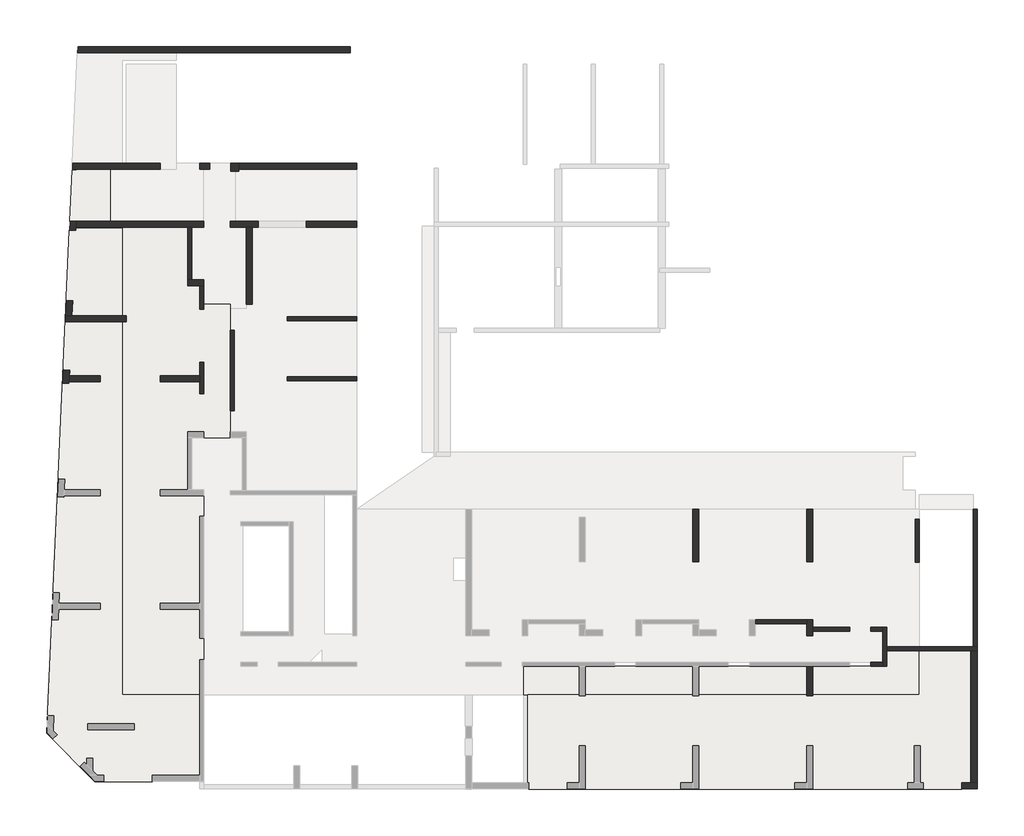
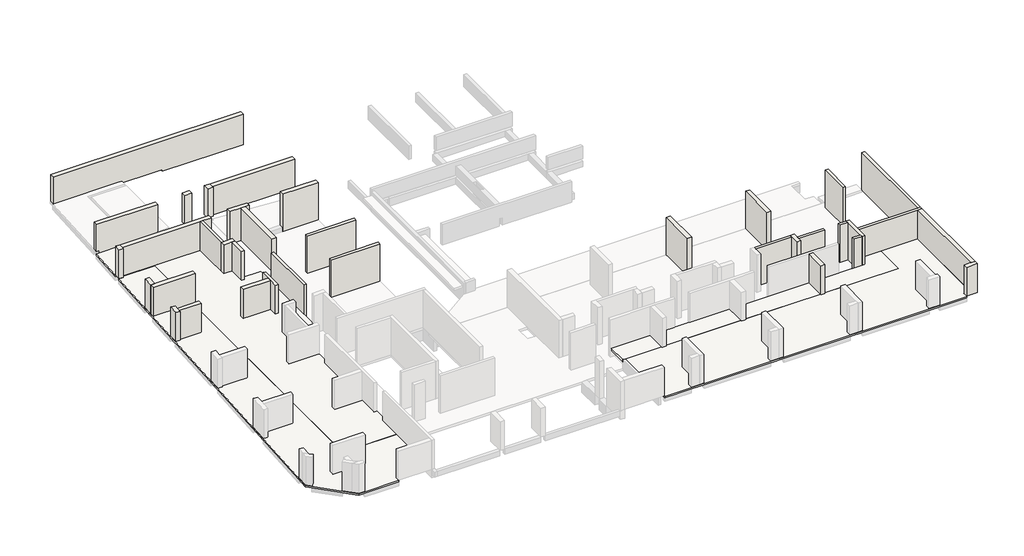
# One storey, part 2 of 4: 36 walls, 2 slabs.
"""IFC4 building model written with IfcOpenShell, lengths in millimetres."""

from ifc_helpers import new_model, si_unit, frame, origin, place, context, project, spatial, polyline, outline, extrude, faceted_brep, element, save

model = new_model("IFC4")

# Units and contexts
model_context = context("Model", 3, world=origin())
ifc_project = project(units=[si_unit("LENGTHUNIT", "METRE", prefix="MILLI")], contexts=[model_context])

# Site, building, storey
site = spatial("IfcSite", under=ifc_project)
building = spatial("IfcBuilding", under=site)
storey = spatial("IfcBuildingStorey", under=building, Elevation=-20.0)

# Slabs
placement = place(None, origin())
element("IfcSlab", 1, at=placement, inside=storey, context=model_context, shape_type="Brep", body=[
    faceted_brep([(-37535.6912908, 5760.9327501, -180.0), (-36935.6912908, 5760.9327501, -180.0), (-36935.6912908, 4590.9327501, -180.0), (-36735.6912908, 4590.9327501, -180.0), (-36735.6912908, 4820.9327501, -180.0), (-35405.6912908, 4820.9327501, -180.0), (-35405.6912908, -1844.0672499, -180.0), (-37335.6912908, -1844.0672499, -180.0), (-37335.6912908, -4439.0672499, -180.0), (-36735.6912908, -4439.0672499, -180.0), (-36735.6912908, -14699.0672499, -180.0), (-40805.6912908, -14699.0672499, -180.0), (-40805.6912908, 8680.9327501, -180.0), (-37535.6912908, 8680.9327501, -180.0), (-37535.6912908, 5760.9327501, -20.0), (-37535.6912908, 8680.9327501, -20.0), (-40805.6912908, 8680.9327501, -20.0), (-40805.6912908, -14699.0672499, -20.0), (-36735.6912908, -14699.0672499, -20.0), (-36735.6912908, -4439.0672499, -20.0), (-37335.6912908, -4439.0672499, -20.0), (-37335.6912908, -1844.0672499, -20.0), (-35405.6912908, -1844.0672499, -20.0), (-35405.6912908, 4820.9327501, -20.0), (-36735.6912908, 4820.9327501, -20.0), (-36735.6912908, 4590.9327501, -20.0), (-36935.6912908, 4590.9327501, -20.0), (-36935.6912908, 5760.9327501, -20.0)], [[[0, 1, 2, 3, 4, 5, 6, 7, 8, 9, 10, 11, 12, 13]], [[14, 15, 16, 17, 18, 19, 20, 21, 22, 23, 24, 25, 26, 27]], [[1, 0, 14, 27]], [[2, 1, 27, 26]], [[5, 4, 24, 23]], [[6, 5, 23, 22]], [[7, 6, 22, 21]], [[8, 7, 21, 20]], [[9, 8, 20, 19]], [[10, 9, 19, 18]], [[11, 10, 18, 17]], [[12, 11, 17, 16]], [[13, 12, 16, 15]], [[0, 13, 15, 14]], [[3, 2, 26, 25]], [[4, 3, 25, 24]]]),
    faceted_brep([(-17935.6912908, -13279.0672499, -180.0), (-17935.6912908, -14499.0672499, -180.0), (-17935.6912908, -14699.0672499, -180.0), (-20715.6912908, -14699.0672499, -180.0), (-20715.6912908, -13279.0672499, -180.0), (-17960.6912908, -13279.0672499, -180.0), (-17935.6912908, -13279.0672499, -20.0), (-20715.6912908, -13279.0672499, -20.0), (-20715.6912908, -14699.0672499, -20.0), (-20515.6912908, -14699.0672499, -20.0), (-17935.6912908, -14699.0672499, -20.0), (-17935.6912908, -14699.0672499, -140.0)], [[[0, 1, 2, 3, 4, 5]], [[6, 7, 8, 9, 10]], [[2, 1, 0, 6, 10, 11]], [[3, 2, 11, 10, 9, 8]], [[4, 3, 8, 7]], [[0, 5, 4, 7, 6]]]),
    faceted_brep([(-12245.6912908, -13279.0672499, -180.0), (-12245.6912908, -14499.0672499, -180.0), (-12245.6912908, -14699.0672499, -180.0), (-17635.6912908, -14699.0672499, -180.0), (-17635.6912908, -14499.0672499, -180.0), (-17635.6912908, -13279.0672499, -180.0), (-17610.6912908, -13279.0672499, -180.0), (-12270.6912908, -13279.0672499, -180.0), (-12245.6912908, -13279.0672499, -20.0), (-17635.6912908, -13279.0672499, -20.0), (-17635.6912908, -14699.0672499, -20.0), (-12245.6912908, -14699.0672499, -20.0), (-12245.6912908, -14699.0672499, -140.0), (-17635.6912908, -14699.0672499, -140.0)], [[[0, 1, 2, 3, 4, 5, 6, 7]], [[8, 9, 10, 11]], [[2, 1, 0, 8, 11, 12]], [[3, 2, 12, 11, 10, 13]], [[5, 4, 3, 13, 10, 9]], [[0, 7, 6, 5, 9, 8]]]),
    faceted_brep([(-6555.6912908, -13279.0672499, -180.0), (-6555.6912908, -14499.0672499, -180.0), (-6555.6912908, -14699.0672499, -180.0), (-11945.6912908, -14699.0672499, -180.0), (-11945.6912908, -14499.0672499, -180.0), (-11945.6912908, -13279.0672499, -180.0), (-11920.6912908, -13279.0672499, -180.0), (-6580.6912908, -13279.0672499, -180.0), (-6555.6912908, -13279.0672499, -20.0), (-11945.6912908, -13279.0672499, -20.0), (-11945.6912908, -14699.0672499, -20.0), (-6555.6912908, -14699.0672499, -20.0), (-6555.6912908, -14699.0672499, -140.0), (-11945.6912908, -14699.0672499, -140.0)], [[[0, 1, 2, 3, 4, 5, 6, 7]], [[8, 9, 10, 11]], [[2, 1, 0, 8, 11, 12]], [[3, 2, 12, 11, 10, 13]], [[5, 4, 3, 13, 10, 9]], [[0, 7, 6, 5, 9, 8]]]),
    faceted_brep([(-6255.6912908, -14699.0672499, -180.0), (-6255.6912908, -14499.0672499, -180.0), (-6255.6912908, -13279.0672499, -180.0), (-6230.6912908, -13279.0672499, -180.0), (-2535.6912908, -13279.0672499, -180.0), (-2535.6912908, -12519.0672499, -180.0), (-925.6912908, -12519.0672499, -180.0), (-925.6912908, -14699.0672499, -180.0), (-6255.6912908, -14699.0672499, -20.0), (-925.6912908, -14699.0672499, -20.0), (-925.6912908, -12519.0672499, -20.0), (-2535.6912908, -12519.0672499, -20.0), (-2535.6912908, -13279.0672499, -20.0), (-6255.6912908, -13279.0672499, -20.0), (-6255.6912908, -14699.0672499, -140.0), (-925.6912908, -14699.0672499, -140.0)], [[[0, 1, 2, 3, 4, 5, 6, 7]], [[8, 9, 10, 11, 12, 13]], [[2, 1, 0, 14, 8, 13]], [[4, 3, 2, 13, 12]], [[5, 4, 12, 11]], [[6, 5, 11, 10]], [[7, 6, 10, 9, 15]], [[0, 7, 15, 9, 8, 14]]]),
])
element("IfcSlab", 2, at=placement, inside=storey, context=model_context, shape_type="Brep", body=[
    faceted_brep([(-20515.6912908, -19094.0672499, -140.0), (-20515.6912908, -14699.0672499, -140.0), (-17960.6912908, -14699.0672499, -140.0), (-17935.6912908, -14699.0672499, -140.0), (-17935.6912908, -14749.0672499, -140.0), (-17635.6912908, -14749.0672499, -140.0), (-17635.6912908, -14699.0672499, -140.0), (-17610.6912908, -14699.0672499, -140.0), (-12270.6912908, -14699.0672499, -140.0), (-12245.6912908, -14699.0672499, -140.0), (-12245.6912908, -14749.0672499, -140.0), (-11945.6912908, -14749.0672499, -140.0), (-11945.6912908, -14699.0672499, -140.0), (-11920.6912908, -14699.0672499, -140.0), (-6580.6912908, -14699.0672499, -140.0), (-6555.6912908, -14699.0672499, -140.0), (-6555.6912908, -14749.0672499, -140.0), (-6255.6912908, -14749.0672499, -140.0), (-6255.6912908, -14699.0672499, -140.0), (-6230.6912908, -14699.0672499, -140.0), (-1200.6912908, -14699.0672499, -140.0), (-925.6912908, -14699.0672499, -140.0), (-925.6912908, -13099.0672499, -140.0), (-925.6912908, -12519.0672499, -140.0), (1644.3087092, -12519.0672499, -140.0), (1644.3087092, -14499.0672499, -140.0), (1644.3087092, -14699.0672499, -140.0), (1644.3087092, -19094.0672499, -140.0), (1214.3087092, -19094.0672499, -140.0), (1214.3087092, -19244.0672499, -140.0), (1214.3087092, -19444.0672499, -140.0), (-725.6912908, -19444.0672499, -140.0), (-1485.6912908, -19444.0672499, -140.0), (-6230.6912908, -19444.0672499, -140.0), (-7155.6912908, -19444.0672499, -140.0), (-11920.6912908, -19444.0672499, -140.0), (-12845.6912908, -19444.0672499, -140.0), (-17610.6912908, -19444.0672499, -140.0), (-18535.6912908, -19444.0672499, -140.0), (-20455.6912908, -19444.0672499, -140.0), (-20455.6912908, -19244.0672499, -140.0), (-20455.6912908, -19094.0672499, -140.0), (-20515.6912908, -19094.0672499, -20.0), (-20455.6912908, -19094.0672499, -20.0), (-20455.6912908, -19444.0672499, -20.0), (1214.3087092, -19444.0672499, -20.0), (1214.3087092, -19094.0672499, -20.0), (1644.3087092, -19094.0672499, -20.0), (1644.3087092, -12519.0672499, -20.0), (-925.6912908, -12519.0672499, -20.0), (-925.6912908, -14699.0672499, -20.0), (-6255.6912908, -14699.0672499, -20.0), (-6255.6912908, -14749.0672499, -20.0), (-6555.6912908, -14749.0672499, -20.0), (-6555.6912908, -14699.0672499, -20.0), (-11945.6912908, -14699.0672499, -20.0), (-11945.6912908, -14749.0672499, -20.0), (-12245.6912908, -14749.0672499, -20.0), (-12245.6912908, -14699.0672499, -20.0), (-17635.6912908, -14699.0672499, -20.0), (-17635.6912908, -14749.0672499, -20.0), (-17935.6912908, -14749.0672499, -20.0), (-17935.6912908, -14699.0672499, -20.0), (-20515.6912908, -14699.0672499, -20.0)], [[[0, 1, 2, 3, 4, 5, 6, 7, 8, 9, 10, 11, 12, 13, 14, 15, 16, 17, 18, 19, 20, 21, 22, 23, 24, 25, 26, 27, 28, 29, 30, 31, 32, 33, 34, 35, 36, 37, 38, 39, 40, 41]], [[42, 43, 44, 45, 46, 47, 48, 49, 50, 51, 52, 53, 54, 55, 56, 57, 58, 59, 60, 61, 62, 63]], [[1, 0, 42, 63]], [[3, 2, 1, 63, 62]], [[23, 22, 21, 50, 49]], [[24, 23, 49, 48]], [[27, 26, 25, 24, 48, 47]], [[28, 27, 47, 46]], [[30, 29, 28, 46, 45]], [[39, 38, 37, 36, 35, 34, 33, 32, 31, 30, 45, 44]], [[4, 3, 62, 61]], [[5, 4, 61, 60]], [[6, 5, 60, 59]], [[9, 8, 7, 6, 59, 58]], [[10, 9, 58, 57]], [[11, 10, 57, 56]], [[12, 11, 56, 55]], [[15, 14, 13, 12, 55, 54]], [[16, 15, 54, 53]], [[17, 16, 53, 52]], [[18, 17, 52, 51]], [[21, 20, 19, 18, 51, 50]], [[41, 40, 39, 44, 43]], [[0, 41, 43, 42]]]),
    faceted_brep([(-40805.6912908, 8630.9327501, -140.0), (-40805.6912908, 1275.9327501, -140.0), (-40805.6912908, 925.9327501, -140.0), (-40805.6912908, -4414.0672499, -140.0), (-40805.6912908, -4764.0672499, -140.0), (-40805.6912908, -10104.0672499, -140.0), (-40805.6912908, -10454.0672499, -140.0), (-40805.6912908, -14699.0672499, -140.0), (-36935.6912908, -14699.0672499, -140.0), (-36935.6912908, -18724.0672499, -140.0), (-39315.6912908, -18724.0672499, -140.0), (-39315.6912908, -18874.0672499, -140.0), (-39315.6912908, -19074.0672499, -140.0), (-41735.6912908, -19074.0672499, -140.0), (-42186.0939242, -19074.0672499, -140.0), (-42932.9248767, -18318.0727539, -140.0), (-44296.3150093, -16937.9539561, -140.0), (-44596.846186, -16633.7352909, -140.0), (-44556.1609952, -15736.892581, -140.0), (-44339.0863176, -10951.8138372, -140.0), (-44277.4534238, -9593.2111041, -140.0), (-44060.3787462, -4808.1323603, -140.0), (-44019.3656808, -3904.0621592, -140.0), (-43802.2910033, 881.0165846, -140.0), (-43771.9277394, 1550.3282252, -140.0), (-43663.0245256, 3950.9327501, -140.0), (-43614.9497408, 5010.6677392, -140.0), (-43454.5229436, 8547.0307357, -140.0), (-43254.728424, 8537.9670748, -140.0), (-43104.8825344, 8531.1693292, -140.0), (-43100.3567755, 8630.9327501, -140.0), (-40805.6912908, 8630.9327501, -20.0), (-43100.3567755, 8630.9327501, -20.0), (-43104.8825344, 8531.1693292, -20.0), (-43454.5229436, 8547.0307357, -20.0), (-44596.846186, -16633.7352909, -20.0), (-42186.0939242, -19074.0672499, -20.0), (-39315.6912908, -19074.0672499, -20.0), (-39315.6912908, -18724.0672499, -20.0), (-36935.6912908, -18724.0672499, -20.0), (-36935.6912908, -14699.0672499, -20.0), (-40805.6912908, -14699.0672499, -20.0)], [[[0, 1, 2, 3, 4, 5, 6, 7, 8, 9, 10, 11, 12, 13, 14, 15, 16, 17, 18, 19, 20, 21, 22, 23, 24, 25, 26, 27, 28, 29, 30]], [[31, 32, 33, 34, 35, 36, 37, 38, 39, 40, 41]], [[7, 6, 5, 4, 3, 2, 1, 0, 31, 41]], [[8, 7, 41, 40]], [[9, 8, 40, 39]], [[10, 9, 39, 38]], [[12, 11, 10, 38, 37]], [[14, 13, 12, 37, 36]], [[17, 16, 15, 14, 36, 35]], [[27, 26, 25, 24, 23, 22, 21, 20, 19, 18, 17, 35, 34]], [[29, 28, 27, 34, 33]], [[30, 29, 33, 32]], [[0, 30, 32, 31]]]),
    faceted_brep([(-43317.1170694, 11575.9327501, -140.0), (-43116.9113776, 11575.9327501, -140.0), (-41605.6912908, 11575.9327501, -140.0), (-41405.6912908, 11575.9327501, -140.0), (-41405.6912908, 8980.9327501, -140.0), (-41605.6912908, 8980.9327501, -140.0), (-43234.633325, 8980.9327501, -140.0), (-43434.8390168, 8980.9327501, -140.0), (-43317.1170694, 11575.9327501, -20.0), (-43434.8390168, 8980.9327501, -20.0), (-41405.6912908, 8980.9327501, -20.0), (-41405.6912908, 11575.9327501, -20.0)], [[[0, 1, 2, 3, 4, 5, 6, 7]], [[8, 9, 10, 11]], [[3, 2, 1, 0, 8, 11]], [[4, 3, 11, 10]], [[7, 6, 5, 4, 10, 9]], [[0, 7, 9, 8]]]),
])

# Walls
element("IfcWall", 3, ObjectType="MHA20", at=placement, inside=storey, context=model_context, shape_type="Brep", body=[
    faceted_brep([(-2535.6912908, -13279.0672499, -670.0), (-2535.6912908, -11329.0672499, -670.0), (-2535.6912908, -11329.0672499, 2170.0), (-2535.6912908, -12319.0672499, 2170.0), (-2535.6912908, -12519.0672499, 2170.0), (-2535.6912908, -13279.0672499, 2170.0), (-2735.6912908, -13279.0672499, -670.0), (-2735.6912908, -13279.0672499, 2170.0), (-2735.6912908, -13079.0672499, 2170.0), (-2735.6912908, -11529.0672499, 2170.0), (-2735.6912908, -11329.0672499, 2170.0), (-2735.6912908, -11329.0672499, -670.0), (-2735.6912908, -11529.0672499, -670.0), (-2735.6912908, -13079.0672499, -670.0)], [[[0, 1, 2, 3, 4, 5]], [[6, 7, 8, 9, 10, 11, 12, 13]], [[1, 0, 6, 13, 12, 11]], [[5, 4, 3, 2, 10, 9, 8, 7]], [[2, 1, 11, 10]], [[0, 5, 7, 6]]]),
])
element("IfcWall", 4, ObjectType="MHA20", at=placement, inside=storey, context=model_context, shape_type="Brep", body=[
    faceted_brep([(-2535.6912908, -12519.0672499, -20.0), (1694.3087092, -12519.0672499, -20.0), (1794.3087092, -12519.0672499, -20.0), (1994.3087092, -12519.0672499, -20.0), (1994.3087092, -12519.0672499, 2170.0), (1694.3087092, -12519.0672499, 2170.0), (-2535.6912908, -12519.0672499, 2170.0), (-2535.6912908, -12319.0672499, -20.0), (-2535.6912908, -12319.0672499, 2170.0), (1794.3087092, -12319.0672499, 2170.0), (1994.3087092, -12319.0672499, 2170.0), (1994.3087092, -12319.0672499, -20.0), (1794.3087092, -12319.0672499, -20.0)], [[[0, 1, 2, 3, 4, 5, 6]], [[7, 8, 9, 10, 11, 12]], [[3, 2, 1, 0, 7, 12, 11]], [[6, 5, 4, 10, 9, 8]], [[0, 6, 8, 7]], [[4, 3, 11, 10]]]),
])
element("IfcWall", 5, ObjectType="MHA20", at=placement, inside=storey, context=model_context, shape_type="SweptSolid", body=[
    extrude(outline(polyline([(-2735.6912908, -11529.0672499), (-3335.6912908, -11529.0672499), (-3335.6912908, -11329.0672499), (-2735.6912908, -11329.0672499), (-2735.6912908, -11529.0672499)])), frame((0.0, 0.0, -670.0), z_axis=(0.0, 0.0, 1.0), x_axis=(1.0, 0.0, 0.0)), (0.0, 0.0, 1.0), 2840.0),
])
element("IfcWall", 6, ObjectType="MHA20", at=placement, inside=storey, context=model_context, shape_type="SweptSolid", body=[
    extrude(outline(polyline([(-2735.6912908, -13279.0672499), (-3335.6912908, -13279.0672499), (-3335.6912908, -13079.0672499), (-2735.6912908, -13079.0672499), (-2735.6912908, -13279.0672499)])), frame((0.0, 0.0, -670.0), z_axis=(0.0, 0.0, 1.0), x_axis=(1.0, 0.0, 0.0)), (0.0, 0.0, 1.0), 2840.0),
])
element("IfcWall", 7, ObjectType="MHA20", at=placement, inside=storey, context=model_context, shape_type="SweptSolid", body=[
    extrude(outline(polyline([(-6255.6912908, -11329.0672499), (-4395.6912908, -11329.0672499), (-4395.6912908, -11529.0672499), (-6255.6912908, -11529.0672499), (-6255.6912908, -11329.0672499)])), frame((0.0, 0.0, -670.0), z_axis=(0.0, 0.0, 1.0), x_axis=(1.0, 0.0, 0.0)), (0.0, 0.0, 1.0), 2840.0),
])
element("IfcWall", 8, ObjectType="MHA20", at=placement, inside=storey, context=model_context, shape_type="SweptSolid", body=[
    extrude(outline(polyline([(-1125.6912908, -8069.0672499), (-1125.6912908, -5919.0672499), (-925.6912908, -5919.0672499), (-925.6912908, -8069.0672499), (-1125.6912908, -8069.0672499)])), frame((0.0, 0.0, -670.0), z_axis=(0.0, 0.0, 1.0), x_axis=(1.0, 0.0, 0.0)), (0.0, 0.0, 1.0), 2840.0),
])
element("IfcWall", 9, ObjectType="MHA20", at=placement, inside=storey, context=model_context, shape_type="SweptSolid", body=[
    extrude(outline(polyline([(-6555.6912908, -11159.0672499), (-9120.6912908, -11159.0672499), (-9120.6912908, -10959.0672499), (-6555.6912908, -10959.0672499), (-6555.6912908, -11159.0672499)])), frame((0.0, 0.0, -670.0), z_axis=(0.0, 0.0, 1.0), x_axis=(1.0, 0.0, 0.0)), (0.0, 0.0, 1.0), 2840.0),
])
element("IfcWall", 10, ObjectType="MHA20", at=placement, inside=storey, context=model_context, shape_type="SweptSolid", body=[
    extrude(outline(polyline([(-35205.6912908, 3530.9327501), (-35205.6912908, -509.0672499), (-35405.6912908, -509.0672499), (-35405.6912908, 3530.9327501), (-35205.6912908, 3530.9327501)])), frame((0.0, 0.0, -670.0), z_axis=(0.0, 0.0, 1.0), x_axis=(1.0, 0.0, 0.0)), (0.0, 0.0, 1.0), 2840.0),
])
element("IfcWall", 11, ObjectType="MHA20", at=placement, inside=storey, context=model_context, shape_type="SweptSolid", body=[
    extrude(outline(polyline([(-29065.6912908, 1000.9327501), (-32545.6912908, 1000.9327501), (-32545.6912908, 1200.9327501), (-29065.6912908, 1200.9327501), (-29065.6912908, 1000.9327501)])), frame((0.0, 0.0, -670.0), z_axis=(0.0, 0.0, 1.0), x_axis=(1.0, 0.0, 0.0)), (0.0, 0.0, 1.0), 2840.0),
])
element("IfcWall", 12, ObjectType="MHA20", at=placement, inside=storey, context=model_context, shape_type="Brep", body=[
    faceted_brep([(-36735.6912908, 360.9327501, -20.0), (-36735.6912908, 1930.9327501, -20.0), (-36735.6912908, 1930.9327501, 2170.0), (-36735.6912908, 360.9327501, 2170.0), (-36935.6912908, 360.9327501, -20.0), (-36935.6912908, 360.9327501, 2170.0), (-36935.6912908, 950.9327501, 2170.0), (-36935.6912908, 1250.9327501, 2170.0), (-36935.6912908, 1930.9327501, 2170.0), (-36935.6912908, 1930.9327501, -20.0), (-36935.6912908, 1250.9327501, -20.0), (-36935.6912908, 950.9327501, -20.0)], [[[0, 1, 2, 3]], [[4, 5, 6, 7, 8, 9, 10, 11]], [[1, 0, 4, 11, 10, 9]], [[2, 1, 9, 8]], [[3, 2, 8, 7, 6, 5]], [[0, 3, 5, 4]]]),
])
element("IfcWall", 13, ObjectType="MHA20", at=placement, inside=storey, context=model_context, shape_type="Brep", body=[
    faceted_brep([(-37535.6912908, 8680.9327501, 2170.0), (-37535.6912908, 8680.9327501, -300.0), (-37535.6912908, 6060.9327501, -300.0), (-37535.6912908, 6060.9327501, -20.0), (-37535.6912908, 6060.9327501, 2170.0), (-37335.6912908, 8680.9327501, -300.0), (-37335.6912908, 8680.9327501, -20.0), (-37335.6912908, 8680.9327501, 2170.0), (-37335.6912908, 6060.9327501, 2170.0), (-37335.6912908, 6060.9327501, -300.0)], [[[0, 1, 2, 3, 4]], [[5, 6, 7, 8, 9]], [[2, 1, 5, 9]], [[0, 4, 8, 7]], [[2, 9, 8, 4, 3]], [[0, 7, 6, 5, 1]]]),
])
element("IfcWall", 14, ObjectType="MHA20", at=placement, inside=storey, context=model_context, shape_type="SweptSolid", body=[
    extrude(outline(polyline([(-36935.6912908, 4590.9327501), (-36935.6912908, 5760.9327501), (-36735.6912908, 5760.9327501), (-36735.6912908, 4590.9327501), (-36935.6912908, 4590.9327501)])), frame((0.0, 0.0, -20.0), z_axis=(0.0, 0.0, 1.0), x_axis=(1.0, 0.0, 0.0)), (0.0, 0.0, 1.0), 2190.0),
])
element("IfcWall", 15, ObjectType="MHA20", at=placement, inside=storey, context=model_context, shape_type="SweptSolid", body=[
    extrude(outline(polyline([(-32545.6912908, 4200.9327501), (-29065.6912908, 4200.9327501), (-29065.6912908, 4000.9327501), (-32545.6912908, 4000.9327501), (-32545.6912908, 4200.9327501)])), frame((0.0, 0.0, -670.0), z_axis=(0.0, 0.0, 1.0), x_axis=(1.0, 0.0, 0.0)), (0.0, 0.0, 1.0), 2840.0),
])
element("IfcWall", 16, ObjectType="MHA20", at=placement, inside=storey, context=model_context, shape_type="Brep", body=[
    faceted_brep([(1994.3087092, -12519.0672499, -670.0), (1994.3087092, -12319.0672499, -670.0), (1994.3087092, -5419.0672499, -670.0), (1994.3087092, -5419.0672499, 100.0), (1994.3087092, -5419.0672499, 2170.0), (1994.3087092, -12319.0672499, 2170.0), (1994.3087092, -12319.0672499, -20.0), (1994.3087092, -12519.0672499, -20.0), (1794.3087092, -12519.0672499, -670.0), (1794.3087092, -12519.0672499, -20.0), (1794.3087092, -12319.0672499, -20.0), (1794.3087092, -12319.0672499, 2170.0), (1794.3087092, -5419.0672499, 2170.0), (1794.3087092, -5419.0672499, 2020.0), (1794.3087092, -5419.0672499, 100.0), (1794.3087092, -5419.0672499, -670.0), (1794.3087092, -12319.0672499, -670.0)], [[[0, 1, 2, 3, 4, 5, 6, 7]], [[8, 9, 10, 11, 12, 13, 14, 15, 16]], [[2, 1, 0, 8, 16, 15]], [[4, 3, 2, 15, 14, 13, 12]], [[5, 4, 12, 11]], [[6, 10, 9, 7]], [[0, 7, 9, 8]], [[6, 5, 11, 10]]]),
])
element("IfcWall", 17, ObjectType="MHA30", at=placement, inside=storey, context=model_context, shape_type="Brep", body=[
    faceted_brep([(1994.3087092, -19119.0672499, -20.0), (1994.3087092, -15594.0672499, -20.0), (1994.3087092, -12519.0672499, -20.0), (1994.3087092, -12519.0672499, 2170.0), (1994.3087092, -19119.0672499, 2170.0), (1694.3087092, -19119.0672499, -20.0), (1694.3087092, -19119.0672499, 2170.0), (1694.3087092, -12519.0672499, 2170.0), (1694.3087092, -12519.0672499, -20.0)], [[[0, 1, 2, 3, 4]], [[5, 6, 7, 8]], [[2, 1, 0, 5, 8]], [[4, 3, 7, 6]], [[3, 2, 8, 7]], [[0, 4, 6, 5]]]),
])
element("IfcWall", 18, ObjectType="MHA30", at=placement, inside=storey, context=model_context, shape_type="Brep", body=[
    faceted_brep([(-6255.6912908, -11759.0672499, -670.0), (-6255.6912908, -11529.0672499, -670.0), (-6255.6912908, -11329.0672499, -670.0), (-6255.6912908, -10959.0672499, -670.0), (-6255.6912908, -10959.0672499, 2170.0), (-6255.6912908, -11329.0672499, 2170.0), (-6255.6912908, -11529.0672499, 2170.0), (-6255.6912908, -11759.0672499, 2170.0), (-6555.6912908, -11759.0672499, -670.0), (-6555.6912908, -11759.0672499, 2170.0), (-6555.6912908, -11159.0672499, 2170.0), (-6555.6912908, -10959.0672499, 2170.0), (-6555.6912908, -10959.0672499, -670.0), (-6555.6912908, -11159.0672499, -670.0)], [[[0, 1, 2, 3, 4, 5, 6, 7]], [[8, 9, 10, 11, 12, 13]], [[3, 2, 1, 0, 8, 13, 12]], [[7, 6, 5, 4, 11, 10, 9]], [[0, 7, 9, 8]], [[4, 3, 12, 11]]]),
])
element("IfcWall", 19, ObjectType="MHA30", at=placement, inside=storey, context=model_context, shape_type="Brep", body=[
    faceted_brep([(-43448.759302, 950.9327501, -360.0), (-41905.6912908, 950.9327501, -360.0), (-41905.6912908, 950.9327501, 2170.0), (-43473.7850134, 950.9327501, 2170.0), (-43473.7850134, 950.9327501, -20.0), (-43448.759302, 950.9327501, -20.0), (-43435.1498283, 1250.9327501, -360.0), (-43435.1498283, 1250.9327501, -20.0), (-43460.1755398, 1250.9327501, -20.0), (-43460.1755398, 1250.9327501, 2170.0), (-41905.6912908, 1250.9327501, 2170.0), (-41905.6912908, 1250.9327501, -360.0)], [[[0, 1, 2, 3, 4, 5]], [[6, 7, 8, 9, 10, 11]], [[1, 0, 6, 11]], [[2, 1, 11, 10]], [[3, 2, 10, 9]], [[4, 8, 7, 5]], [[0, 5, 7, 6]], [[4, 3, 9, 8]]]),
])
element("IfcWall", 20, ObjectType="MHA30", at=placement, inside=storey, context=model_context, shape_type="Brep", body=[
    faceted_brep([(-34305.6912908, 4820.9327501, -670.0), (-34305.6912908, 6650.9327501, -670.0), (-34305.6912908, 8680.9327501, -670.0), (-34305.6912908, 8680.9327501, 2170.0), (-34305.6912908, 4820.9327501, 2170.0), (-34605.6912908, 4820.9327501, -670.0), (-34605.6912908, 4820.9327501, 2170.0), (-34605.6912908, 8680.9327501, 2170.0), (-34605.6912908, 8680.9327501, -670.0), (-34605.6912908, 6650.9327501, -670.0)], [[[0, 1, 2, 3, 4]], [[5, 6, 7, 8, 9]], [[2, 1, 0, 5, 9, 8]], [[4, 3, 7, 6]], [[0, 4, 6, 5]], [[3, 2, 8, 7]]]),
])
element("IfcWall", 21, ObjectType="MHA30", at=placement, inside=storey, context=model_context, shape_type="Brep", body=[
    faceted_brep([(-36735.6912908, 8980.9327501, -20.0), (-37335.6912908, 8980.9327501, -20.0), (-37335.6912908, 8980.9327501, -820.0), (-40605.6912908, 8980.9327501, -820.0), (-40605.6912908, 8980.9327501, -67.8), (-40605.6912908, 8980.9327501, -20.0), (-40805.6912908, 8980.9327501, -20.0), (-43109.5047677, 8980.9327501, -20.0), (-43109.5047677, 8980.9327501, 2170.0), (-36735.6912908, 8980.9327501, 2170.0), (-36735.6912908, 8680.9327501, -20.0), (-36735.6912908, 8680.9327501, 2170.0), (-37335.6912908, 8680.9327501, 2170.0), (-37535.6912908, 8680.9327501, 2170.0), (-43123.1142414, 8680.9327501, 2170.0), (-43123.1142414, 8680.9327501, -20.0), (-40605.6912908, 8680.9327501, -20.0), (-40605.6912908, 8680.9327501, -820.0), (-37335.6912908, 8680.9327501, -820.0), (-37335.6912908, 8680.9327501, -300.0), (-37335.6912908, 8680.9327501, -20.0)], [[[0, 1, 2, 3, 4, 5, 6, 7, 8, 9]], [[10, 11, 12, 13, 14, 15, 16, 17, 18, 19, 20]], [[8, 7, 15, 14]], [[1, 0, 10, 20]], [[9, 8, 14, 13, 12, 11]], [[0, 9, 11, 10]], [[3, 2, 18, 17]], [[7, 6, 5, 16, 15]], [[5, 4, 3, 17, 16]], [[2, 1, 20, 19, 18]]]),
])
element("IfcWall", 22, ObjectType="MHA30", at=placement, inside=storey, context=model_context, shape_type="Brep", body=[
    faceted_brep([(-37535.6912908, 5760.9327501, -20.0), (-36935.6912908, 5760.9327501, -20.0), (-36735.6912908, 5760.9327501, -20.0), (-36735.6912908, 5760.9327501, 2170.0), (-36935.6912908, 5760.9327501, 2170.0), (-37535.6912908, 5760.9327501, 2170.0), (-37535.6912908, 6060.9327501, -20.0), (-37535.6912908, 6060.9327501, 2170.0), (-37335.6912908, 6060.9327501, 2170.0), (-36735.6912908, 6060.9327501, 2170.0), (-36735.6912908, 6060.9327501, -20.0)], [[[0, 1, 2, 3, 4, 5]], [[6, 7, 8, 9, 10]], [[2, 1, 0, 6, 10]], [[5, 4, 3, 9, 8, 7]], [[3, 2, 10, 9]], [[0, 5, 7, 6]]]),
])
element("IfcWall", 23, ObjectType="MHA30", at=placement, inside=storey, context=model_context, shape_type="Brep", body=[
    faceted_brep([(-40605.6912908, 4250.9327501, -20.0), (-43324.0808029, 4250.9327501, -20.0), (-43624.3893405, 4250.9327501, -20.0), (-43624.3893405, 4250.9327501, 2170.0), (-43324.0808029, 4250.9327501, 2170.0), (-40605.6912908, 4250.9327501, 2170.0), (-40605.6912908, 3950.9327501, -20.0), (-40605.6912908, 3950.9327501, 2170.0), (-43637.9988142, 3950.9327501, 2170.0), (-43637.9988142, 3950.9327501, -20.0)], [[[0, 1, 2, 3, 4, 5]], [[6, 7, 8, 9]], [[2, 1, 0, 6, 9]], [[5, 4, 3, 8, 7]], [[0, 5, 7, 6]], [[3, 2, 9, 8]]]),
])
element("IfcWall", 24, ObjectType="MHA30", at=placement, inside=storey, context=model_context, shape_type="Brep", body=[
    faceted_brep([(-38895.6912908, 11900.9327501, 2170.0), (-38895.6912908, 11900.9327501, -20.0), (-40605.6912908, 11900.9327501, -20.0), (-40605.6912908, 11900.9327501, 130.0), (-40805.6912908, 11900.9327501, 130.0), (-40805.6912908, 11900.9327501, -20.0), (-43102.1677811, 11900.9327501, -20.0), (-43277.3477614, 11900.9327501, -20.0), (-43277.3477614, 11900.9327501, 130.0), (-43277.3477614, 11900.9327501, 2170.0), (-38895.6912908, 11600.9327501, -20.0), (-38895.6912908, 11600.9327501, 2170.0), (-43290.9572351, 11600.9327501, 2170.0), (-43290.9572351, 11600.9327501, 130.0), (-43290.9572351, 11600.9327501, -20.0), (-43115.7772548, 11600.9327501, -20.0), (-40805.6912908, 11750.9327501, -20.0), (-40605.6912908, 11750.9327501, -20.0), (-40805.6912908, 11750.9327501, 130.0), (-40605.6912908, 11750.9327501, 130.0)], [[[0, 1, 2, 3, 4, 5, 6, 7, 8, 9]], [[10, 11, 12, 13, 14, 15]], [[1, 10, 15, 14, 7, 6, 5, 16, 17, 2]], [[11, 0, 9, 12]], [[1, 0, 11, 10]], [[9, 8, 7, 14, 13, 12]], [[18, 16, 5, 4]], [[17, 19, 3, 2]], [[16, 18, 19, 17]], [[19, 18, 4, 3]]]),
])
element("IfcWall", 25, ObjectType="MHA30", at=placement, inside=storey, context=model_context, shape_type="SweptSolid", body=[
    extrude(outline(polyline([(-36935.6912908, 11900.9327501), (-36435.6912908, 11900.9327501), (-36435.6912908, 11600.9327501), (-36935.6912908, 11600.9327501), (-36935.6912908, 11900.9327501)])), frame((0.0, 0.0, -20.0), z_axis=(0.0, 0.0, 1.0), x_axis=(1.0, 0.0, 0.0)), (0.0, 0.0, 1.0), 2190.0),
])
element("IfcWall", 26, ObjectType="MHA30", at=placement, inside=storey, context=model_context, shape_type="Brep", body=[
    faceted_brep([(-29395.6912908, 17430.9327501, -150.0), (-29395.6912908, 17430.9327501, 2170.0), (-43026.4797964, 17430.9327501, 2170.0), (-43026.4797964, 17430.9327501, -20.0), (-35175.6912908, 17430.9327501, -20.0), (-35175.6912908, 17430.9327501, -150.0), (-29395.6912908, 17730.9327501, 2170.0), (-29395.6912908, 17730.9327501, -150.0), (-35175.6912908, 17730.9327501, -150.0), (-35175.6912908, 17730.9327501, -20.0), (-43012.8703227, 17730.9327501, -20.0), (-43012.8703227, 17730.9327501, 2170.0)], [[[0, 1, 2, 3, 4, 5]], [[6, 7, 8, 9, 10, 11]], [[3, 2, 11, 10]], [[9, 4, 3, 10]], [[1, 0, 7, 6]], [[1, 6, 11, 2]], [[0, 5, 8, 7]], [[5, 4, 9, 8]]]),
])
element("IfcWall", 27, ObjectType="MHA30", at=placement, inside=storey, context=model_context, shape_type="SweptSolid", body=[
    extrude(outline(polyline([(-29065.6912908, 11600.9327501), (-34975.6912908, 11600.9327501), (-34975.6912908, 11900.9327501), (-29065.6912908, 11900.9327501), (-29065.6912908, 11600.9327501)])), frame((0.0, 0.0, -20.0), z_axis=(0.0, 0.0, 1.0), x_axis=(1.0, 0.0, 0.0)), (0.0, 0.0, 1.0), 2190.0),
])
element("IfcWall", 28, ObjectType="MHA30", at=placement, inside=storey, context=model_context, shape_type="Brep", body=[
    faceted_brep([(-35405.6912908, 8680.9327501, -670.0), (-34605.6912908, 8680.9327501, -670.0), (-34305.6912908, 8680.9327501, -670.0), (-34005.6912908, 8680.9327501, -670.0), (-34005.6912908, 8680.9327501, -370.0), (-34005.6912908, 8680.9327501, 2170.0), (-34305.6912908, 8680.9327501, 2170.0), (-34605.6912908, 8680.9327501, 2170.0), (-35405.6912908, 8680.9327501, 2170.0), (-35405.6912908, 8980.9327501, -670.0), (-35405.6912908, 8980.9327501, 2170.0), (-34005.6912908, 8980.9327501, 2170.0), (-34005.6912908, 8980.9327501, -370.0), (-34005.6912908, 8980.9327501, -670.0)], [[[0, 1, 2, 3, 4, 5, 6, 7, 8]], [[9, 10, 11, 12, 13]], [[3, 2, 1, 0, 9, 13]], [[5, 4, 3, 13, 12, 11]], [[8, 7, 6, 5, 11, 10]], [[0, 8, 10, 9]]]),
])
element("IfcWall", 29, ObjectType="MHA30", at=placement, inside=storey, context=model_context, shape_type="SweptSolid", body=[
    extrude(outline(polyline([(-6255.6912908, -13279.0672499), (-6255.6912908, -14769.0672499), (-6555.6912908, -14769.0672499), (-6555.6912908, -13279.0672499), (-6255.6912908, -13279.0672499)])), frame((0.0, 0.0, -20.0), z_axis=(0.0, 0.0, 1.0), x_axis=(1.0, 0.0, 0.0)), (0.0, 0.0, 1.0), 2190.0),
])
element("IfcWall", 30, ObjectType="MHA30", at=placement, inside=storey, context=model_context, shape_type="Brep", body=[
    faceted_brep([(1214.3087092, -19419.0672499, -20.0), (1994.3087092, -19419.0672499, -20.0), (1994.3087092, -19419.0672499, 2170.0), (1214.3087092, -19419.0672499, 2170.0), (1214.3087092, -19119.0672499, -20.0), (1214.3087092, -19119.0672499, 2170.0), (1694.3087092, -19119.0672499, 2170.0), (1994.3087092, -19119.0672499, 2170.0), (1994.3087092, -19119.0672499, -20.0), (1694.3087092, -19119.0672499, -20.0)], [[[0, 1, 2, 3]], [[4, 5, 6, 7, 8, 9]], [[1, 0, 4, 9, 8]], [[3, 2, 7, 6, 5]], [[0, 3, 5, 4]], [[2, 1, 8, 7]]]),
])
element("IfcWall", 31, ObjectType="MHA30", at=placement, inside=storey, context=model_context, shape_type="SweptSolid", body=[
    extrude(outline(polyline([(-36935.6912908, 950.9327501), (-38905.6912908, 950.9327501), (-38905.6912908, 1250.9327501), (-36935.6912908, 1250.9327501), (-36935.6912908, 950.9327501)])), frame((0.0, 0.0, -20.0), z_axis=(0.0, 0.0, 1.0), x_axis=(1.0, 0.0, 0.0)), (0.0, 0.0, 1.0), 2190.0),
])
element("IfcWall", 32, ObjectType="MHA30", at=placement, inside=storey, context=model_context, shape_type="Brep", body=[
    faceted_brep([(-43477.3983174, 871.2829987, -20.0), (-43473.7850134, 950.9327501, -20.0), (-43460.1755398, 1250.9327501, -20.0), (-43447.2616451, 1535.5997763, -20.0), (-43447.2616451, 1535.5997763, 2170.0), (-43460.1755398, 1250.9327501, 2170.0), (-43473.7850134, 950.9327501, 2170.0), (-43477.3983174, 871.2829987, 2170.0), (-43777.0900968, 884.87849, -20.0), (-43777.0900968, 884.87849, 2170.0), (-43746.9534244, 1549.1952676, 2170.0), (-43746.9534244, 1549.1952676, -20.0)], [[[0, 1, 2, 3, 4, 5, 6, 7]], [[8, 9, 10, 11]], [[3, 2, 1, 0, 8, 11]], [[4, 3, 11, 10]], [[7, 6, 5, 4, 10, 9]], [[0, 7, 9, 8]]]),
])
element("IfcWall", 33, ObjectType="MHA30", at=placement, inside=storey, context=model_context, shape_type="SweptSolid", body=[
    extrude(outline(polyline([(-43290.2836465, 4995.9392903), (-43324.0808029, 4250.9327501), (-43624.3893405, 4250.9327501), (-43589.9754259, 5009.5347816), (-43290.2836465, 4995.9392903)])), frame((0.0, 0.0, -20.0), z_axis=(0.0, 0.0, 1.0), x_axis=(1.0, 0.0, 0.0)), (0.0, 0.0, 1.0), 2190.0),
])
element("IfcWall", 34, ObjectType="MHA30", at=placement, inside=storey, context=model_context, shape_type="Brep", body=[
    faceted_brep([(-43129.8568493, 8532.3022868, -20.0), (-43123.1142414, 8680.9327501, -20.0), (-43109.5047677, 8980.9327501, -20.0), (-43109.5047677, 8980.9327501, 2170.0), (-43123.1142414, 8680.9327501, 2170.0), (-43129.8568493, 8532.3022868, 2170.0), (-43429.5486287, 8545.8977781, -20.0), (-43429.5486287, 8545.8977781, 2170.0), (-43409.8133053, 8980.9327501, 2170.0), (-43409.8133053, 8980.9327501, -20.0)], [[[0, 1, 2, 3, 4, 5]], [[6, 7, 8, 9]], [[2, 1, 0, 6, 9]], [[5, 4, 3, 8, 7]], [[0, 5, 7, 6]], [[3, 2, 9, 8]]]),
])
element("IfcWall", 35, ObjectType="MHA30", at=placement, inside=storey, context=model_context, shape_type="SweptSolid", body=[
    extrude(outline(polyline([(-11945.6912908, -5419.0672499), (-11945.6912908, -8059.0672499), (-12245.6912908, -8059.0672499), (-12245.6912908, -5419.0672499), (-11945.6912908, -5419.0672499)])), frame((0.0, 0.0, -670.0), z_axis=(0.0, 0.0, 1.0), x_axis=(1.0, 0.0, 0.0)), (0.0, 0.0, 1.0), 2840.0),
])
element("IfcWall", 36, ObjectType="MHA30", at=placement, inside=storey, context=model_context, shape_type="SweptSolid", body=[
    extrude(outline(polyline([(-6255.6912908, -5419.0672499), (-6255.6912908, -8059.0672499), (-6555.6912908, -8059.0672499), (-6555.6912908, -5419.0672499), (-6255.6912908, -5419.0672499)])), frame((0.0, 0.0, -670.0), z_axis=(0.0, 0.0, 1.0), x_axis=(1.0, 0.0, 0.0)), (0.0, 0.0, 1.0), 2840.0),
])
element("IfcWall", 37, ObjectType="MHA30", at=placement, inside=storey, context=model_context, shape_type="Brep", body=[
    faceted_brep([(-31605.6912908, 8680.9327501, -670.0), (-29065.6912908, 8680.9327501, -670.0), (-29065.6912908, 8680.9327501, 2170.0), (-31605.6912908, 8680.9327501, 2170.0), (-31605.6912908, 8680.9327501, -370.0), (-31605.6912908, 8980.9327501, -670.0), (-31605.6912908, 8980.9327501, -370.0), (-31605.6912908, 8980.9327501, 2170.0), (-29065.6912908, 8980.9327501, 2170.0), (-29065.6912908, 8980.9327501, -670.0)], [[[0, 1, 2, 3, 4]], [[5, 6, 7, 8, 9]], [[1, 0, 5, 9]], [[2, 1, 9, 8]], [[3, 2, 8, 7]], [[0, 4, 3, 7, 6, 5]]]),
])
element("IfcWall", 38, ObjectType="MHA40", at=placement, inside=storey, context=model_context, shape_type="Brep", body=[
    faceted_brep([(-34975.6912908, 11900.9327501, -20.0), (-35365.6912908, 11900.9327501, -20.0), (-35365.6912908, 11900.9327501, 2170.0), (-34975.6912908, 11900.9327501, 2170.0), (-34975.6912908, 11500.9327501, -20.0), (-34975.6912908, 11500.9327501, 2170.0), (-35365.6912908, 11500.9327501, 2170.0), (-35365.6912908, 11500.9327501, -20.0), (-34975.6912908, 11600.9327501, -20.0), (-34975.6912908, 11600.9327501, 2170.0)], [[[0, 1, 2, 3]], [[4, 5, 6, 7]], [[1, 0, 8, 4, 7]], [[2, 1, 7, 6]], [[3, 2, 6, 5, 9]], [[0, 3, 9, 5, 4, 8]]]),
])

save(model, "model.ifc")
